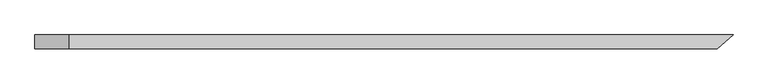
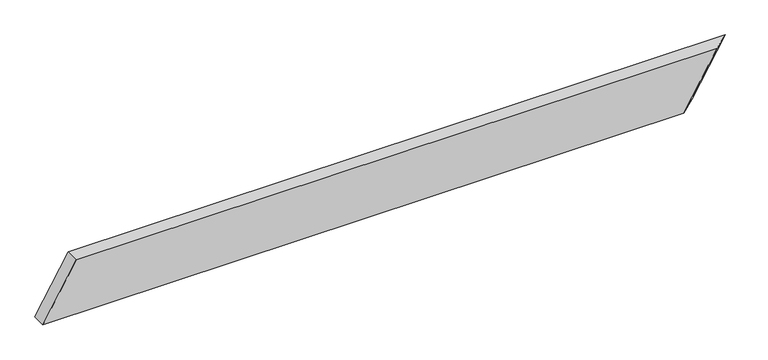
"""IFC4 building model written with IfcOpenShell, lengths in millimetres: beam geometry."""

from ifc_helpers import new_model, si_unit, origin, place, context, project, spatial, faceted_brep, source, transform, mapped, element, save


def beam_539f873e(model_context):
    return source(origin(), model_context, "Body", "Brep", [
        faceted_brep([(1167.4816044, -24.0, 100.0), (-1078.5998257, -24.0, 100.0), (-1195.2664924, -24.0, -100.0), (1050.8149377, -24.0, -100.0), (1223.0513803, 24.0, 100.0), (1106.3847137, 24.0, -100.0), (-1195.2664924, 24.0, -100.0), (-1078.5998257, 24.0, 100.0)], [[[0, 1, 2, 3]], [[4, 5, 6, 7]], [[5, 4, 0, 3]], [[6, 5, 3, 2]], [[7, 6, 2, 1]], [[4, 7, 1, 0]]]),
    ])


if __name__ == "__main__":
    model = new_model("IFC4")
    model_context = context("Model", 3, world=origin())
    ifc_project = project(units=[si_unit("LENGTHUNIT", "METRE", prefix="MILLI")], contexts=[model_context])
    site = spatial("IfcSite", under=ifc_project)
    building = spatial("IfcBuilding", under=site)
    placement = place(None, origin())
    beam_shape = beam_539f873e(model_context)
    element("IfcBeam", 1, at=placement, inside=building, context=model_context, shape_type="MappedRepresentation", body=[
        mapped(beam_shape, transform((0.0, 0.0, 0.0), x_axis=(1.0, 0.0, 0.0), y_axis=(0.0, 1.0, 0.0), z_axis=(0.0, 0.0, 1.0))),
    ])
    save(model, "model.ifc")
